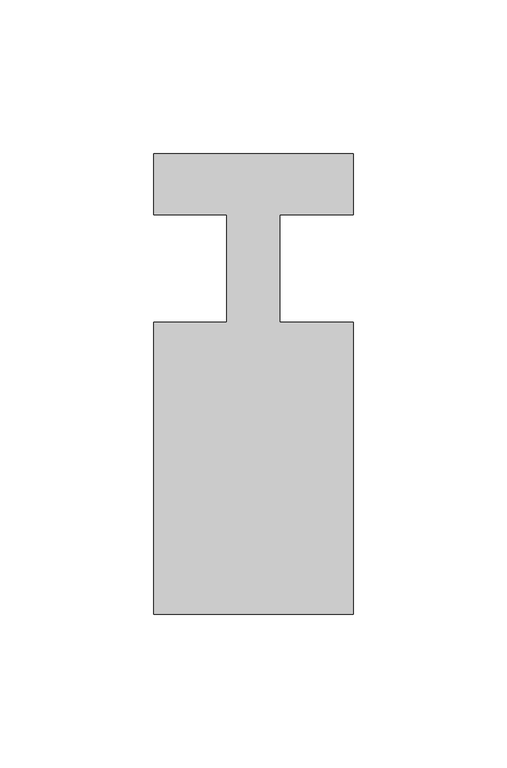
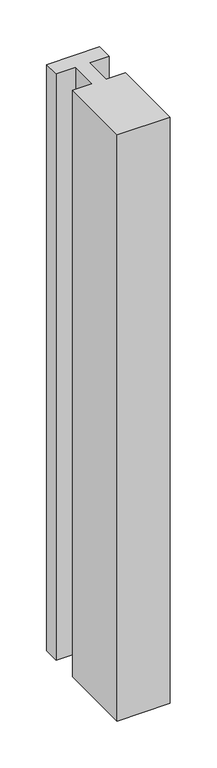
"""IFC4 building model written with IfcOpenShell, lengths in millimetres: member geometry."""

from ifc_helpers import new_model, si_unit, frame, origin, place, context, project, spatial, polyline, outline, extrude, source, transform, mapped, element, save


def member_0b623d1b(model_context):
    return source(origin(), model_context, "Body", "SweptSolid", [
        extrude(outline(polyline([(0.0, 37.0), (0.0, 17.0), (-23.8125, 17.0), (-23.8125, -18.0), (0.0, -18.0), (0.0, -113.0), (-65.0, -113.0), (-65.0, -18.0), (-41.1875, -18.0), (-41.1875, 17.0), (-65.0, 17.0), (-65.0, 37.0), (0.0, 37.0)])), frame((0.0, 0.0, -761.6666667), z_axis=(0.0, 0.0, 1.0), x_axis=(1.0, 0.0, 0.0)), (0.0, 0.0, 1.0), 761.6666667),
    ])


if __name__ == "__main__":
    model = new_model("IFC4")
    model_context = context("Model", 3, world=origin())
    ifc_project = project(units=[si_unit("LENGTHUNIT", "METRE", prefix="MILLI")], contexts=[model_context])
    site = spatial("IfcSite", under=ifc_project)
    building = spatial("IfcBuilding", under=site)
    placement = place(None, origin())
    member_shape = member_0b623d1b(model_context)
    element("IfcMember", 1, at=placement, inside=building, context=model_context, shape_type="MappedRepresentation", body=[
        mapped(member_shape, transform((0.0, 0.0, 0.0), x_axis=(1.0, 0.0, 0.0), y_axis=(0.0, 1.0, 0.0), z_axis=(0.0, 0.0, 1.0))),
    ])
    save(model, "model.ifc")
